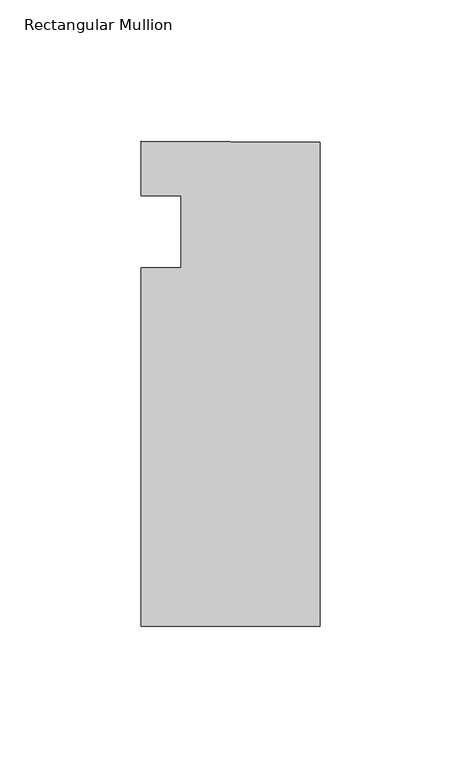
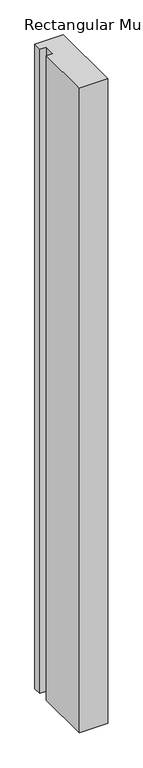
"""IFC4 building model written with IfcOpenShell, lengths in millimetres: member geometry, Rectangular Mullion."""

from ifc_helpers import new_model, si_unit, frame, origin, place, context, project, spatial, polyline, outline, extrude, source, transform, mapped, element, save


def rectangular_mullion_18b61d79(model_context):
    return source(origin(), model_context, "Body", "SweptSolid", [
        extrude(outline(polyline([(-63.454026, -139.7014045), (-63.454026, -12.7013791), (-49.166526, -12.7014045), (-49.166526, 12.6985955), (-63.454026, 12.6985955), (-63.3922134, 32.0719397), (0.0, 31.75), (0.0, -139.7014045), (-63.454026, -139.7014045)])), frame((0.0, 0.0, -1524.0), z_axis=(0.0, 0.0, 1.0), x_axis=(1.0, 0.0, 0.0)), (0.0, 0.0, 1.0), 1524.0),
    ])


if __name__ == "__main__":
    model = new_model("IFC4")
    model_context = context("Model", 3, world=origin())
    ifc_project = project(units=[si_unit("LENGTHUNIT", "METRE", prefix="MILLI")], contexts=[model_context])
    site = spatial("IfcSite", under=ifc_project)
    building = spatial("IfcBuilding", under=site)
    placement = place(None, origin())
    rectangular_mullion_shape = rectangular_mullion_18b61d79(model_context)
    element("IfcMember", 1, ObjectType="Rectangular Mullion", at=placement, inside=building, context=model_context, shape_type="MappedRepresentation", body=[
        mapped(rectangular_mullion_shape, transform((0.0, 0.0, 0.0), x_axis=(1.0, 0.0, 0.0), y_axis=(0.0, 1.0, 0.0), z_axis=(0.0, 0.0, 1.0))),
    ])
    save(model, "model.ifc")
